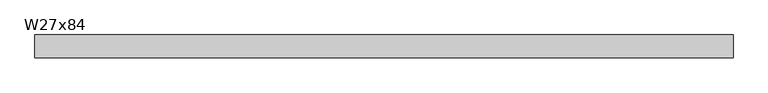
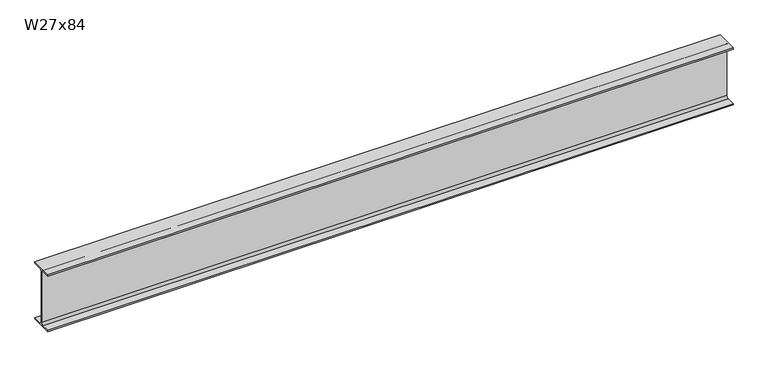
"""IFC4 building model written with IfcOpenShell, lengths in millimetres: beam geometry, W27x84."""

from ifc_helpers import new_model, si_unit, point, frame, frame_2d, origin, place, context, project, spatial, polyline, circle_curve, trimmed, segment, composite_curve, outline, extrude, source, transform, mapped, element, save


def w27x84_fa889a6e(model_context):
    return source(origin(), model_context, "Body", "SweptSolid", [
        extrude(outline(composite_curve([segment(polyline([(127.0, -322.834), (127.0, -339.09), (-127.0, -339.09), (-127.0, -322.834), (-29.2735, -322.834)]), True, "CONTINUOUS"), segment(trimmed(circle_curve(frame_2d((-29.2735, -299.4025)), 23.4315), [point((-29.2735, -322.834))], [point((-5.842, -299.4025))], True, "CARTESIAN"), True, "CONTINUOUS"), segment(polyline([(-5.842, -299.4025), (-5.842, 299.4025)]), True, "CONTINUOUS"), segment(trimmed(circle_curve(frame_2d((-29.2735, 299.4025)), 23.4315), [point((-5.842, 299.4025))], [point((-29.2735, 322.834))], True, "CARTESIAN"), True, "CONTINUOUS"), segment(polyline([(-29.2735, 322.834), (-127.0, 322.834), (-127.0, 339.09), (127.0, 339.09), (127.0, 322.834), (29.2735, 322.834)]), True, "CONTINUOUS"), segment(trimmed(circle_curve(frame_2d((29.2735, 299.4025)), 23.4315), [point((29.2735, 322.834))], [point((5.842, 299.4025))], True, "CARTESIAN"), True, "CONTINUOUS"), segment(polyline([(5.842, 299.4025), (5.842, -299.4025)]), True, "CONTINUOUS"), segment(trimmed(circle_curve(frame_2d((29.2735, -299.4025)), 23.4315), [point((5.842, -299.4025))], [point((29.2735, -322.834))], True, "CARTESIAN"), True, "CONTINUOUS"), segment(polyline([(29.2735, -322.834), (127.0, -322.834)]), True, "CONTINUOUS")], self_intersect=False)), frame((-3847.973, 0.0, 0.0), z_axis=(1.0, 0.0, 0.0), x_axis=(0.0, 1.0, 0.0)), (0.0, 0.0, 1.0), 7695.946),
    ])


if __name__ == "__main__":
    model = new_model("IFC4")
    model_context = context("Model", 3, world=origin())
    ifc_project = project(units=[si_unit("LENGTHUNIT", "METRE", prefix="MILLI")], contexts=[model_context])
    site = spatial("IfcSite", under=ifc_project)
    building = spatial("IfcBuilding", under=site)
    placement = place(None, origin())
    w27x84_shape = w27x84_fa889a6e(model_context)
    element("IfcBeam", 1, ObjectType="W27x84", at=placement, inside=building, context=model_context, shape_type="MappedRepresentation", body=[
        mapped(w27x84_shape, transform((0.0, 0.0, 0.0), x_axis=(1.0, 0.0, 0.0), y_axis=(0.0, 1.0, 0.0), z_axis=(0.0, 0.0, 1.0))),
    ])
    save(model, "model.ifc")
